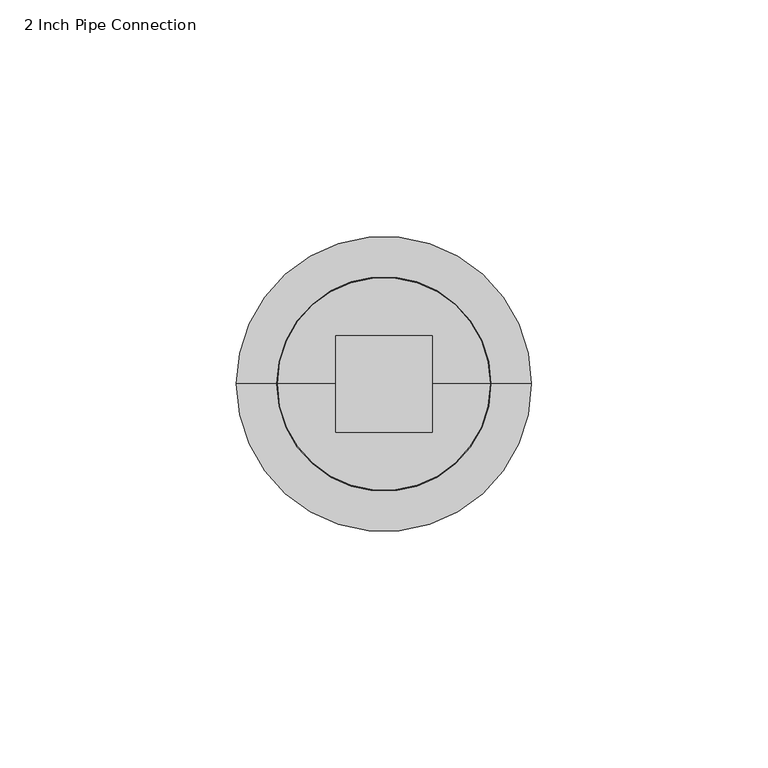
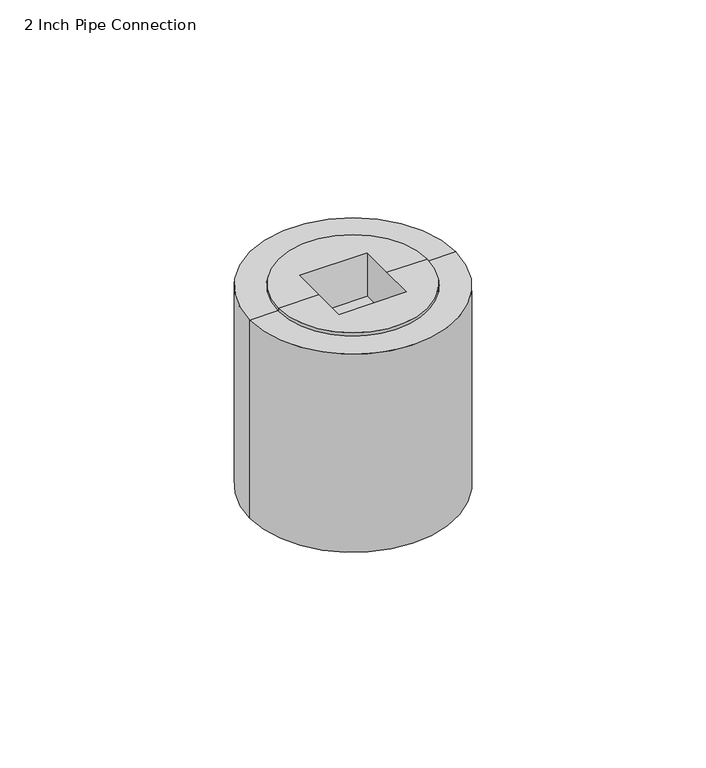
"""IFC4 building model written with IfcOpenShell, lengths in millimetres: flow terminal geometry, 2 Inch Pipe Connection."""

from ifc_helpers import new_model, si_unit, point, frame, origin, origin_with_axes, origin_2d, place, context, project, spatial, polyline, circle_curve, trimmed, segment, composite_curve, outline, extrude, source, transform, mapped, element, save
from ifc_brep_helpers import plane_surface, cylinder_surface, revolved_surface, advanced_brep


def flow_terminal_2_inch_pipe_connection_da59508e(model_context):
    return source(origin(), model_context, "Body", "SolidModel", [
        advanced_brep(
        [(22.479, 0.0, 0.762), (10.31875, 0.0, 0.762), (10.31875, -10.31875, 0.762), (-10.31875, -10.31875, 0.762), (-10.31875, 0.0, 0.762), (-22.479, 0.0, 0.762), (-10.31875, 10.31875, 0.762), (10.31875, 10.31875, 0.762), (-22.479, 0.0, -13.97), (0.0, 0.0, -13.97), (22.479, 0.0, -13.97), (10.31875, -10.31875, -13.208), (10.31875, 10.31875, -13.208), (-10.31875, 10.31875, -13.208), (-10.31875, -10.31875, -13.208)],
        [
            (0, 1),
            (1, 2),
            (2, 3),
            (3, 4),
            (4, 5),
            (5, 0, circle_curve(frame((0.0, 0.0, 0.762), z_axis=(0.0, 0.0, 1.0), x_axis=(1.0, 0.0, 0.0)), 22.479)),
            (4, 6),
            (6, 7),
            (7, 1),
            (0, 5, circle_curve(frame((0.0, 0.0, 0.762), z_axis=(0.0, 0.0, 1.0), x_axis=(1.0, 0.0, 0.0)), 22.479)),
            (8, 9),
            (9, 10),
            (10, 8, circle_curve(frame((0.0, 0.0, -13.97), z_axis=(0.0, 0.0, -1.0), x_axis=(1.0, 0.0, 0.0)), 22.479)),
            (8, 10, circle_curve(frame((0.0, 0.0, -13.97), z_axis=(0.0, 0.0, -1.0), x_axis=(1.0, 0.0, 0.0)), 22.479)),
            (5, 8),
            (10, 0),
            (11, 12),
            (12, 13),
            (13, 14),
            (14, 11),
            (14, 3),
            (2, 11),
            (13, 6),
            (12, 7),
        ],
        [
            plane_surface(frame((0.0, 0.0, 0.762), z_axis=(0.0, 0.0, 1.0), x_axis=(1.0, 0.0, 0.0))),
            plane_surface(frame((0.0, 0.0, -13.97), z_axis=(0.0, 0.0, -1.0), x_axis=(1.0, 0.0, 0.0))),
            cylinder_surface(frame((0.0, 0.0, 47.8333963), z_axis=(0.0, 0.0, 1.0), x_axis=(1.0, 0.0, 0.0)), 22.479),
            plane_surface(frame((-10.31875, -10.31875, -13.208), z_axis=(0.0, 0.0, 1.0), x_axis=(1.0, 0.0, 0.0))),
            plane_surface(frame((10.31875, -10.31875, 0.762), z_axis=(0.0, 1.0, 0.0), x_axis=(0.0, 0.0, -1.0))),
            plane_surface(frame((-10.31875, -10.31875, 0.762), z_axis=(1.0, 0.0, 0.0), x_axis=(0.0, 0.0, -1.0))),
            plane_surface(frame((-10.31875, 10.31875, 0.762), z_axis=(0.0, -1.0, 0.0), x_axis=(0.0, 0.0, -1.0))),
            plane_surface(frame((10.31875, 10.31875, 0.762), z_axis=(-1.0, 0.0, 0.0), x_axis=(0.0, 0.0, -1.0))),
        ],
        [
            (0, [[1, 2, 3, 4, 5, 6]]),
            (0, [[-5, 7, 8, 9, -1, 10]]),
            (1, [[11, 12, 13]]),
            (1, [[-11, 14, -12]]),
            (2, [[15, -13, 16, -6]]),
            (2, [[-16, -14, -15, -10]]),
            (3, [[17, 18, 19, 20]]),
            (4, [[21, -3, 22, -20]]),
            (5, [[23, -7, -4, -21, -19]]),
            (6, [[24, -8, -23, -18]]),
            (7, [[-22, -2, -9, -24, -17]]),
        ],
    ),
        advanced_brep(
        [(-31.1912, 0.0, -63.5), (0.0, 0.0, -63.5), (31.1912, 0.0, -63.5), (31.1912, 0.0, 0.0), (-31.1912, 0.0, 0.0), (22.733, 0.0, 0.0), (-22.733, 0.0, 0.0), (22.733, 0.0, -13.97), (-22.733, 0.0, -13.97), (0.0, 0.0, -13.97)],
        [
            (0, 1),
            (1, 2),
            (2, 0, circle_curve(frame((0.0, 0.0, -63.5), z_axis=(0.0, 0.0, -1.0), x_axis=(1.0, 0.0, 0.0)), 31.1912)),
            (0, 2, circle_curve(frame((0.0, 0.0, -63.5), z_axis=(0.0, 0.0, -1.0), x_axis=(1.0, 0.0, 0.0)), 31.1912)),
            (2, 3),
            (3, 4, circle_curve(frame((0.0, 0.0, 0.0), z_axis=(0.0, 0.0, -1.0), x_axis=(1.0, 0.0, 0.0)), 31.1912)),
            (4, 0),
            (4, 3, circle_curve(frame((0.0, 0.0, 0.0), z_axis=(0.0, 0.0, -1.0), x_axis=(1.0, 0.0, 0.0)), 31.1912)),
            (3, 5),
            (5, 6, circle_curve(frame((0.0, 0.0, 0.0), z_axis=(0.0, 0.0, -1.0), x_axis=(1.0, 0.0, 0.0)), 22.733)),
            (6, 4),
            (6, 5, circle_curve(frame((0.0, 0.0, 0.0), z_axis=(0.0, 0.0, -1.0), x_axis=(1.0, 0.0, 0.0)), 22.733)),
            (5, 7),
            (7, 8, circle_curve(frame((0.0, 0.0, -13.97), z_axis=(0.0, 0.0, -1.0), x_axis=(1.0, 0.0, 0.0)), 22.733)),
            (8, 6),
            (8, 7, circle_curve(frame((0.0, 0.0, -13.97), z_axis=(0.0, 0.0, -1.0), x_axis=(1.0, 0.0, 0.0)), 22.733)),
            (7, 9),
            (9, 8),
        ],
        [
            plane_surface(frame((0.0, 0.0, -63.5), z_axis=(0.0, 0.0, -1.0), x_axis=(1.0, 0.0, 0.0))),
            cylinder_surface(frame((0.0, 0.0, 12.7), z_axis=(0.0, 0.0, 1.0), x_axis=(1.0, 0.0, 0.0)), 31.1912),
            plane_surface(origin_with_axes()),
            revolved_surface(polyline([(22.733, 0.0, 0.0), (22.733, 0.0, -13.970000000000002)]), (0.0, 0.0, 12.7), (0.0, 0.0, 1.0)),
            plane_surface(frame((0.0, 0.0, -13.97), z_axis=(0.0, 0.0, 1.0), x_axis=(1.0, 0.0, 0.0))),
        ],
        [
            (0, [[1, 2, 3]]),
            (0, [[-1, 4, -2]]),
            (1, [[5, 6, 7, -3]]),
            (1, [[-7, 8, -5, -4]]),
            (2, [[9, 10, 11, -6]]),
            (2, [[-11, 12, -9, -8]]),
            (3, [[13, 14, 15, -10]]),
            (3, [[-15, 16, -13, -12]]),
            (4, [[17, 18, -14]]),
            (4, [[-18, -17, -16]]),
        ],
    ),
        extrude(outline(composite_curve([segment(trimmed(circle_curve(origin_2d(), 25.4), [point((-25.4, 0.0))], [point((25.4, 0.0))], False, "CARTESIAN"), True, "CONTINUOUS"), segment(trimmed(circle_curve(origin_2d(), 25.4), [point((25.4, 0.0))], [point((-25.4, 0.0))], False, "CARTESIAN"), True, "CONTINUOUS")], self_intersect=False)), frame((0.0, 0.0, -63.5), z_axis=(0.0, 0.0, 1.0), x_axis=(1.0, 0.0, 0.0)), (0.0, 0.0, 1.0), 48.006),
    ])


if __name__ == "__main__":
    model = new_model("IFC4")
    model_context = context("Model", 3, world=origin())
    ifc_project = project(units=[si_unit("LENGTHUNIT", "METRE", prefix="MILLI")], contexts=[model_context])
    site = spatial("IfcSite", under=ifc_project)
    building = spatial("IfcBuilding", under=site)
    placement = place(None, origin())
    flow_terminal_2_inch_pipe_connection_shape = flow_terminal_2_inch_pipe_connection_da59508e(model_context)
    element("IfcFlowTerminal", 1, ObjectType="2 Inch Pipe Connection", at=placement, inside=building, context=model_context, shape_type="MappedRepresentation", body=[
        mapped(flow_terminal_2_inch_pipe_connection_shape, transform((0.0, 0.0, 0.0), x_axis=(1.0, 0.0, 0.0), y_axis=(0.0, 1.0, 0.0), z_axis=(0.0, 0.0, 1.0))),
    ])
    save(model, "model.ifc")
